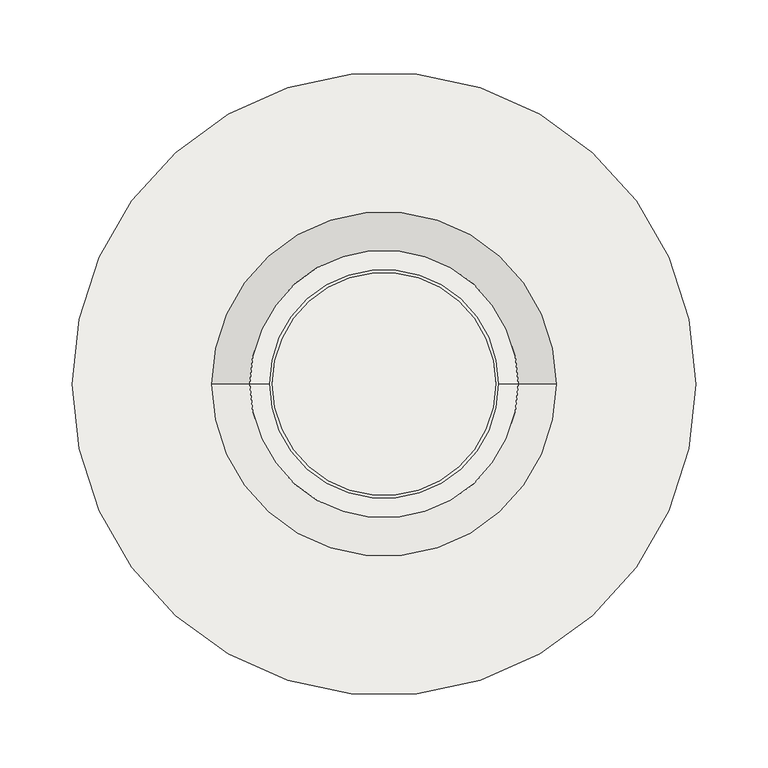
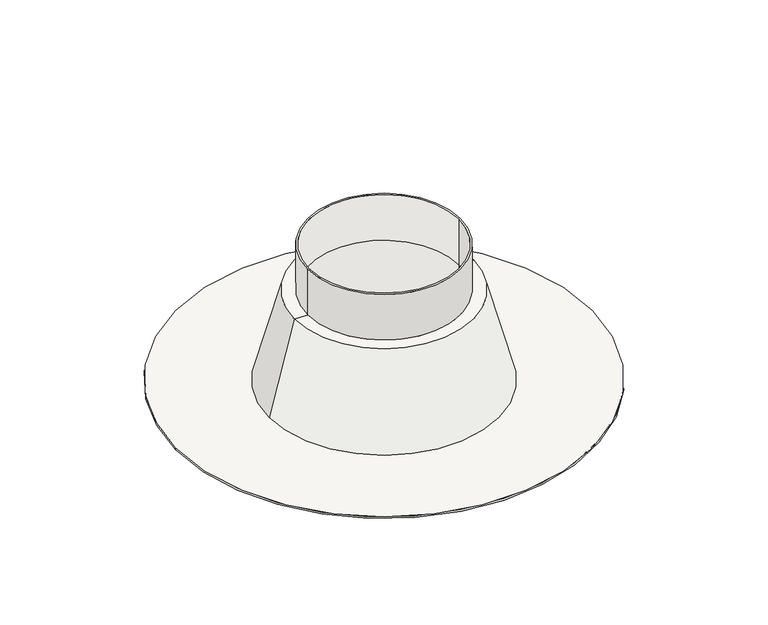
"""IFC4 building model written with IfcOpenShell, lengths in millimetres: covering geometry."""

import ifcopenshell
import ifcopenshell.guid

model = None  # the IFC model being written
_history = None  # IfcOwnerHistory: only IFC2X3 demands one
_inside = {}  # id of a spatial element -> (the spatial element, [elements in it])
_under = {}  # id of a project, library or spatial element -> (it, [spatial elements below it])
_declared = {}  # id of a project -> (the project, [libraries it declares])
_typed = {}  # id of a type object -> (the type object, [elements of that type])
_made_of = {}  # id of a material, layer set ... -> (it, [elements and type objects made of it])


def new_model(schema):
    """Start an empty IFC model of exactly this schema.

    Asked for "IFC4X3", IfcOpenShell would pick the latest addendum, in which some entities
    have other attributes; the version numbers below select the first issue.
    IFC2X3 requires an IfcOwnerHistory on every rooted entity: one is made here for all.
    """
    global model, _history
    if schema == "IFC4X3":
        model = ifcopenshell.file(schema_version=(4, 3, 0, 0))
    else:
        model = ifcopenshell.file(schema=schema)
    _inside.clear()
    _under.clear()
    _declared.clear()
    _typed.clear()
    _made_of.clear()
    _history = None
    if model.schema == "IFC2X3":
        org = make("IfcOrganization", Name="unknown")
        user = make(
            "IfcPersonAndOrganization",
            ThePerson=make("IfcPerson", FamilyName="unknown"),
            TheOrganization=org,
        )
        app = make(
            "IfcApplication",
            ApplicationDeveloper=org,
            Version="unknown",
            ApplicationFullName="unknown",
            ApplicationIdentifier="unknown",
        )
        _history = make(
            "IfcOwnerHistory",
            OwningUser=user,
            OwningApplication=app,
            ChangeAction="ADDED",
            CreationDate=0,
        )
    return model


def make(cls, **values):
    """One entity of the class cls with the attributes given. An attribute that is None is left unset."""
    return model.create_entity(
        cls, **{name: value for name, value in values.items() if value is not None}
    )


def rooted(cls, **values):
    """An entity with a GlobalId (a new one), such as an element, a storey or a relation."""
    return make(cls, GlobalId=ifcopenshell.guid.new(), OwnerHistory=_history, **values)


def si_unit(unit_type, name, prefix=None):
    """IfcSIUnit, for example si_unit("LENGTHUNIT", "METRE", prefix="MILLI")."""
    return make("IfcSIUnit", UnitType=unit_type, Prefix=prefix, Name=name)


def assignment(units):
    """IfcUnitAssignment: the units of a project."""
    return None if units is None else make("IfcUnitAssignment", Units=units)


def point(xyz):
    """IfcCartesianPoint."""
    return None if xyz is None else make("IfcCartesianPoint", Coordinates=xyz)


def direction(xyz):
    """IfcDirection."""
    return None if xyz is None else make("IfcDirection", DirectionRatios=xyz)


def frame(location, z_axis=None, x_axis=None):
    """IfcAxis2Placement3D, a coordinate frame: its origin and axes. An axis left out is left unset."""
    return make(
        "IfcAxis2Placement3D",
        Location=point(location),
        Axis=direction(z_axis),
        RefDirection=direction(x_axis),
    )


def origin():
    """The frame at (0, 0, 0) with its axes left unset."""
    return frame((0.0, 0.0, 0.0))


def origin_with_axes():
    """The frame at (0, 0, 0) with the z axis (0, 0, 1) and the x axis (1, 0, 0) written out."""
    return frame((0.0, 0.0, 0.0), z_axis=(0.0, 0.0, 1.0), x_axis=(1.0, 0.0, 0.0))


def place(relative_to, where):
    """IfcLocalPlacement: puts the frame where relative to a parent placement (None: the world)."""
    return make(
        "IfcLocalPlacement", PlacementRelTo=relative_to, RelativePlacement=where
    )


def context(
    kind, dimensions, precision=None, world=None, true_north=None, identifier=None
):
    """IfcGeometricRepresentationContext, for example the 3D "Model" context."""
    return make(
        "IfcGeometricRepresentationContext",
        ContextIdentifier=identifier,
        ContextType=kind,
        CoordinateSpaceDimension=dimensions,
        Precision=precision,
        WorldCoordinateSystem=world,
        TrueNorth=true_north,
    )


def project(units=None, contexts=None):
    """IfcProject with its units and contexts."""
    return rooted(
        "IfcProject",
        Name="project",
        RepresentationContexts=contexts,
        UnitsInContext=assignment(units),
    )


def spatial(cls, under=None, at=None, **own):
    """A site, building, storey or space (cls), placed at a placement, below another one or the project."""
    s = rooted(cls, ObjectPlacement=at, **own)
    if under is not None:
        _under.setdefault(under.id(), (under, []))[1].append(s)
    return s


def polyline(points):
    """IfcPolyline through the points."""
    return make("IfcPolyline", Points=[point(p) for p in points])


def circle_curve(where, radius):
    """IfcCircle in the frame where."""
    return make("IfcCircle", Position=where, Radius=radius)


def shape(context_of_items, identifier, shape_type, items):
    """IfcShapeRepresentation: the items that make up one representation, for example the "Body"."""
    return make(
        "IfcShapeRepresentation",
        ContextOfItems=context_of_items,
        RepresentationIdentifier=identifier,
        RepresentationType=shape_type,
        Items=items,
    )


def source(mapping_origin, context_of_items, identifier, shape_type, items):
    """IfcRepresentationMap: a shape defined once, which mapped items show again and again."""
    return make(
        "IfcRepresentationMap",
        MappingOrigin=mapping_origin,
        MappedRepresentation=shape(context_of_items, identifier, shape_type, items),
    )


def transform(
    local_origin,
    x_axis=None,
    y_axis=None,
    z_axis=None,
    scale=None,
    scale2=None,
    scale3=None,
    uniform=True,
):
    """IfcCartesianTransformationOperator3D, or its non-uniform kind. x_axis, y_axis, z_axis: its Axis1, 2, 3."""
    if uniform:
        return make(
            "IfcCartesianTransformationOperator3D",
            Axis1=direction(x_axis),
            Axis2=direction(y_axis),
            LocalOrigin=point(local_origin),
            Scale=scale,
            Axis3=direction(z_axis),
        )
    return make(
        "IfcCartesianTransformationOperator3DnonUniform",
        Axis1=direction(x_axis),
        Axis2=direction(y_axis),
        LocalOrigin=point(local_origin),
        Scale=scale,
        Axis3=direction(z_axis),
        Scale2=scale2,
        Scale3=scale3,
    )


def mapped(mapping_source, mapping_target):
    """IfcMappedItem: shows the shape of a source again, moved by a transform."""
    return make(
        "IfcMappedItem", MappingSource=mapping_source, MappingTarget=mapping_target
    )


def made_of(thing, what):
    """Note that an element or type object is made of a material, layer set ...; save() writes the relation."""
    if what is not None:
        _made_of.setdefault(what.id(), (what, []))[1].append(thing)
    return thing


def element(
    cls,
    number,
    at=None,
    inside=None,
    cuts=None,
    type_object=None,
    material=None,
    context=None,
    identifier="Body",
    shape_type=None,
    held_by="IfcProductDefinitionShape",
    body=None,
    shapes=None,
    **own,
):
    """One element of the class cls, such as IfcWall. Its Tag is "e" and its number.

    at: its placement. inside: the storey or other place that contains it. cuts: it is an
    opening in that element (IfcRelVoidsElement). A single representation is given by context,
    identifier, shape_type and body (its items); several are given by shapes. held_by: the class
    of the entity that holds the representations. save() writes the other relations.
    """
    e = rooted(cls, Tag="e%d" % number, ObjectPlacement=at, **own)
    if body is not None:
        shapes = [shape(context, identifier, shape_type, body)]
    if shapes is not None:
        e.Representation = make(held_by, Representations=shapes)
    if inside is not None:
        _inside.setdefault(inside.id(), (inside, []))[1].append(e)
    if cuts is not None:
        rooted(
            "IfcRelVoidsElement", RelatingBuildingElement=cuts, RelatedOpeningElement=e
        )
    if type_object is not None:
        _typed.setdefault(type_object.id(), (type_object, []))[1].append(e)
    return made_of(e, material)


def aggregate(whole, parts):
    """IfcRelAggregates: a whole, such as a stair, and the parts it consists of."""
    return rooted("IfcRelAggregates", RelatingObject=whole, RelatedObjects=parts)


def save(model, path):
    """Write the relations noted so far, then the file.

    IfcRelAggregates (storeys below a building ...), IfcRelContainedInSpatialStructure (elements
    in a storey), IfcRelDefinesByType, IfcRelAssociatesMaterial and IfcRelDeclares: one each for
    every whole, place, type object, material and project.
    """
    for whole, parts in _under.values():
        aggregate(whole, parts)
    for where, things in _inside.values():
        rooted(
            "IfcRelContainedInSpatialStructure",
            RelatedElements=things,
            RelatingStructure=where,
        )
    for kind, things in _typed.values():
        rooted("IfcRelDefinesByType", RelatedObjects=things, RelatingType=kind)
    for what, things in _made_of.values():
        rooted("IfcRelAssociatesMaterial", RelatedObjects=things, RelatingMaterial=what)
    for by, libraries in _declared.values():
        rooted("IfcRelDeclares", RelatingContext=by, RelatedDefinitions=libraries)
    model.write(path)


def plane_surface(at):
    """IfcPlane: the flat surface through the origin of the frame at, square to its z axis."""
    return make("IfcPlane", Position=at)


def cylinder_surface(at, radius):
    """IfcCylindricalSurface: all points at the distance radius from the z axis of the frame at."""
    return make("IfcCylindricalSurface", Position=at, Radius=radius)


def revolved_surface(curve, axis_point, axis_direction):
    """IfcSurfaceOfRevolution: the curve turned about the line through axis_point along axis_direction."""
    return make(
        "IfcSurfaceOfRevolution",
        SweptCurve=make("IfcArbitraryOpenProfileDef", ProfileType="CURVE", Curve=curve),
        AxisPosition=make("IfcAxis1Placement", Location=point(axis_point), Axis=direction(axis_direction)),
    )


def advanced_brep(points, edges, surfaces, faces):
    """IfcAdvancedBrep: a solid bounded by faces that lie on surfaces and meet in shared edges.

    An edge is (start, end): straight between two places in points (the first is 0);
    or (start, end, curve); or (start, end, curve, False) where it runs against its curve.
    A face is (place in surfaces, loops), or (place, loops, False) where it looks against
    its surface's normal. A loop lists edges by number (the first is 1), with a minus sign
    where the edge is run from its end to its start. The first loop is the outer one.
    """
    corners = [point(p) for p in points]
    vertices = [make("IfcVertexPoint", VertexGeometry=c) for c in corners]
    made = []
    for start, end, *more in edges:
        made.append(
            make(
                "IfcEdgeCurve",
                EdgeStart=vertices[start],
                EdgeEnd=vertices[end],
                EdgeGeometry=more[0] if more else make("IfcPolyline", Points=[corners[start], corners[end]]),
                SameSense=more[1] if len(more) > 1 else True,
            )
        )
    hull = []
    for where, loops, *sense in faces:
        bounds = []
        for j, loop in enumerate(loops):
            ring = [make("IfcOrientedEdge", EdgeElement=made[abs(k) - 1], Orientation=k > 0) for k in loop]
            bounds.append(
                make(
                    "IfcFaceOuterBound" if j == 0 else "IfcFaceBound",
                    Bound=make("IfcEdgeLoop", EdgeList=ring),
                    Orientation=True,
                )
            )
        hull.append(make("IfcAdvancedFace", Bounds=bounds, FaceSurface=surfaces[where], SameSense=sense[0] if sense else True))
    return make("IfcAdvancedBrep", Outer=make("IfcClosedShell", CfsFaces=hull))


def covering_b4739faa(model_context):
    return source(origin(), model_context, "Body", "AdvancedBrep", [
        advanced_brep(
        [(-215.0, 0.0, 2.0), (215.0, 0.0, 2.0), (-118.7590209, 0.0, 2.0), (118.7590209, 0.0, 2.0), (77.0, 0.0, 2.0), (-77.0, 0.0, 2.0), (-215.0, 0.0, 0.0), (215.0, 0.0, 0.0), (-92.5, 0.0, 100.0), (92.5, 0.0, 100.0), (-79.0, 0.0, 100.0), (79.0, 0.0, 100.0), (-77.0, 0.0, 100.0), (77.0, 0.0, 100.0), (-79.0, 0.0, 150.0), (79.0, 0.0, 150.0), (-77.0, 0.0, 150.0), (77.0, 0.0, 150.0)],
        [
            (0, 1, circle_curve(frame((0.0, 0.0, 2.0), z_axis=(0.0, 0.0, 1.0), x_axis=(1.0, 0.0, 0.0)), 215.0)),
            (1, 0, circle_curve(frame((0.0, 0.0, 2.0), z_axis=(0.0, 0.0, 1.0), x_axis=(1.0, 0.0, 0.0)), 215.0)),
            (2, 3, circle_curve(frame((0.0, 0.0, 2.0), z_axis=(0.0, 0.0, -1.0), x_axis=(-1.0, 0.0, 0.0)), 118.7590209)),
            (3, 2, circle_curve(frame((0.0, 0.0, 2.0), z_axis=(0.0, 0.0, -1.0), x_axis=(-1.0, 0.0, 0.0)), 118.7590209)),
            (4, 5, circle_curve(frame((0.0, 0.0, 2.0), z_axis=(0.0, 0.0, 1.0), x_axis=(-1.0, 0.0, 0.0)), 77.0)),
            (5, 4, circle_curve(frame((0.0, 0.0, 2.0), z_axis=(0.0, 0.0, 1.0), x_axis=(-1.0, 0.0, 0.0)), 77.0)),
            (6, 7, circle_curve(frame((0.0, 0.0, 0.0), z_axis=(0.0, 0.0, -1.0), x_axis=(1.0, 0.0, 0.0)), 215.0)),
            (7, 6, circle_curve(frame((0.0, 0.0, 0.0), z_axis=(0.0, 0.0, -1.0), x_axis=(1.0, 0.0, 0.0)), 215.0)),
            (0, 6),
            (7, 1),
            (2, 8),
            (8, 9, circle_curve(frame((0.0, 0.0, 100.0), z_axis=(0.0, 0.0, -1.0), x_axis=(-1.0, 0.0, 0.0)), 92.5)),
            (9, 3),
            (9, 8, circle_curve(frame((0.0, 0.0, 100.0), z_axis=(0.0, 0.0, -1.0), x_axis=(-1.0, 0.0, 0.0)), 92.5)),
            (8, 10),
            (10, 11, circle_curve(frame((0.0, 0.0, 100.0), z_axis=(0.0, 0.0, -1.0), x_axis=(1.0, 0.0, 0.0)), 79.0)),
            (11, 9),
            (11, 10, circle_curve(frame((0.0, 0.0, 100.0), z_axis=(0.0, 0.0, -1.0), x_axis=(1.0, 0.0, 0.0)), 79.0)),
            (12, 5),
            (4, 13),
            (13, 12, circle_curve(frame((0.0, 0.0, 100.0), z_axis=(0.0, 0.0, 1.0), x_axis=(-1.0, 0.0, 0.0)), 77.0)),
            (12, 13, circle_curve(frame((0.0, 0.0, 100.0), z_axis=(0.0, 0.0, 1.0), x_axis=(-1.0, 0.0, 0.0)), 77.0)),
            (14, 15, circle_curve(frame((0.0, 0.0, 150.0), z_axis=(0.0, 0.0, 1.0), x_axis=(1.0, 0.0, 0.0)), 79.0)),
            (15, 14, circle_curve(frame((0.0, 0.0, 150.0), z_axis=(0.0, 0.0, 1.0), x_axis=(1.0, 0.0, 0.0)), 79.0)),
            (16, 17, circle_curve(frame((0.0, 0.0, 150.0), z_axis=(0.0, 0.0, -1.0), x_axis=(1.0, 0.0, 0.0)), 77.0)),
            (17, 16, circle_curve(frame((0.0, 0.0, 150.0), z_axis=(0.0, 0.0, -1.0), x_axis=(1.0, 0.0, 0.0)), 77.0)),
            (14, 10),
            (11, 15),
            (16, 12),
            (13, 17),
        ],
        [
            plane_surface(frame((215.0, 0.0, 2.0), z_axis=(0.0, 0.0, 1.0), x_axis=(0.0, 1.0, 0.0))),
            plane_surface(frame((215.0, 0.0, 0.0), z_axis=(0.0, 0.0, -1.0), x_axis=(0.0, -1.0, 0.0))),
            cylinder_surface(origin_with_axes(), 215.0),
            revolved_surface(polyline([(-92.5, 0.0, 100.0), (-118.7590209, 0.0, 2.0)]), (0.0, 0.0, 2214.3150031), (0.0, 0.0, -1.0)),
            plane_surface(frame((0.0, 0.0, 100.0), z_axis=(0.0, 0.0, 1.0), x_axis=(-1.0, 0.0, 0.0))),
            revolved_surface(polyline([(-77.0, 0.0, 2.0), (-77.0, 0.0, 100.0)]), (0.0, 0.0, 2214.3150031), (0.0, 0.0, -1.0)),
            plane_surface(frame((79.0, 0.0, 150.0), z_axis=(0.0, 0.0, 1.0), x_axis=(0.0, 1.0, 0.0))),
            cylinder_surface(frame((0.0, 0.0, 100.0), z_axis=(0.0, 0.0, 1.0), x_axis=(1.0, 0.0, 0.0)), 79.0),
            revolved_surface(polyline([(77.0, 0.0, 100.0), (77.0, 0.0, 150.0)]), (0.0, 0.0, 0.0), (0.0, 0.0, -1.0)),
        ],
        [
            (0, [[1, 2], [3, 4]]),
            (0, [[5, 6]]),
            (1, [[7, 8]]),
            (2, [[-1, 9, -8, 10]]),
            (2, [[-2, -10, -7, -9]]),
            (3, [[11, 12, 13, -3]]),
            (3, [[-11, -4, -13, 14]]),
            (4, [[-12, 15, 16, 17]]),
            (4, [[-14, -17, 18, -15]]),
            (5, [[19, -5, 20, 21]]),
            (5, [[-19, 22, -20, -6]]),
            (6, [[23, 24], [25, 26]]),
            (7, [[-23, 27, -18, 28]]),
            (7, [[-24, -28, -16, -27]]),
            (8, [[-25, 29, -21, 30]]),
            (8, [[-26, -30, -22, -29]]),
        ],
    ),
    ])


if __name__ == "__main__":
    model = new_model("IFC4")
    model_context = context("Model", 3, world=origin())
    ifc_project = project(units=[si_unit("LENGTHUNIT", "METRE", prefix="MILLI")], contexts=[model_context])
    site = spatial("IfcSite", under=ifc_project)
    building = spatial("IfcBuilding", under=site)
    placement = place(None, origin())
    covering_shape = covering_b4739faa(model_context)
    element("IfcCovering", 1, at=placement, inside=building, context=model_context, shape_type="MappedRepresentation", body=[
        mapped(covering_shape, transform((0.0, 0.0, 0.0), x_axis=(1.0, 0.0, 0.0), y_axis=(0.0, 1.0, 0.0), z_axis=(0.0, 0.0, 1.0))),
    ])
    save(model, "model.ifc")
